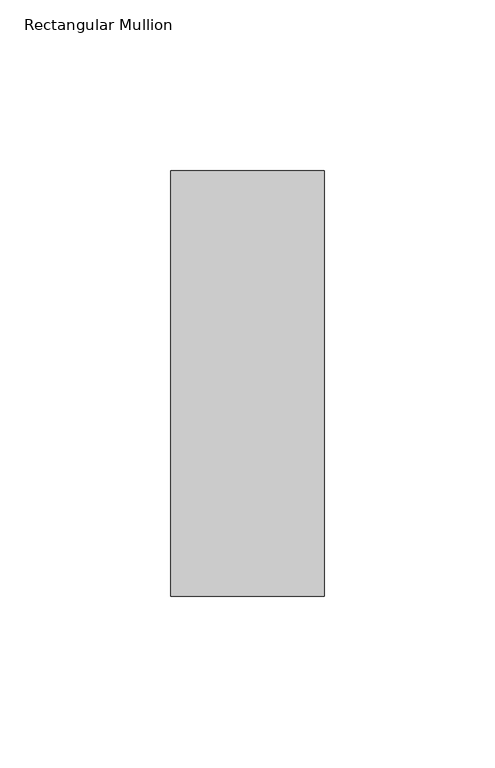
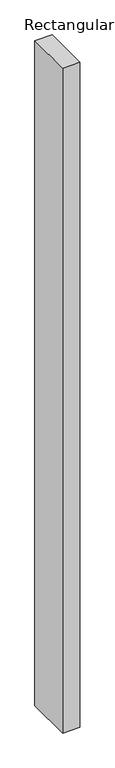
"""IFC4 building model written with IfcOpenShell, lengths in millimetres: member geometry, Rectangular Mullion."""

from ifc_helpers import new_model, si_unit, frame, origin, place, context, project, spatial, polyline, outline, extrude, source, transform, mapped, element, save


def rectangular_mullion_21be82c3(model_context):
    return source(origin(), model_context, "Body", "SweptSolid", [
        extrude(outline(polyline([(0.0, -77.84375), (-45.0, -77.84375), (-45.0, 46.84375), (0.0, 46.84375), (0.0, -77.84375)])), frame((0.0, 0.0, -1828.8), z_axis=(0.0, 0.0, 1.0), x_axis=(1.0, 0.0, 0.0)), (0.0, 0.0, 1.0), 1828.8),
    ])


if __name__ == "__main__":
    model = new_model("IFC4")
    model_context = context("Model", 3, world=origin())
    ifc_project = project(units=[si_unit("LENGTHUNIT", "METRE", prefix="MILLI")], contexts=[model_context])
    site = spatial("IfcSite", under=ifc_project)
    building = spatial("IfcBuilding", under=site)
    placement = place(None, origin())
    rectangular_mullion_shape = rectangular_mullion_21be82c3(model_context)
    element("IfcMember", 1, ObjectType="Rectangular Mullion", at=placement, inside=building, context=model_context, shape_type="MappedRepresentation", body=[
        mapped(rectangular_mullion_shape, transform((0.0, 0.0, 0.0), x_axis=(1.0, 0.0, 0.0), y_axis=(0.0, 1.0, 0.0), z_axis=(0.0, 0.0, 1.0))),
    ])
    save(model, "model.ifc")
